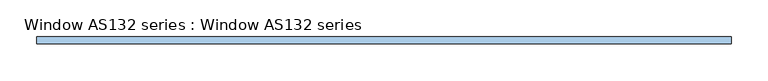
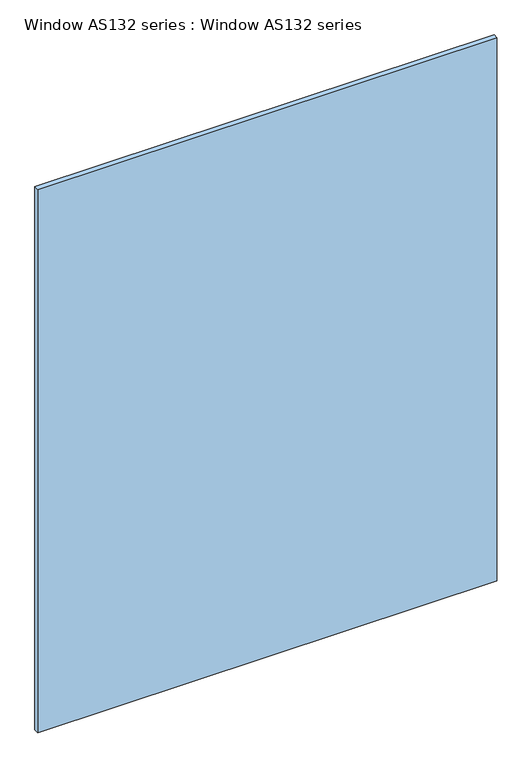
"""IFC4 building model written with IfcOpenShell, lengths in millimetres: window geometry, Window AS132 series : Window AS132 series."""

from ifc_helpers import new_model, si_unit, frame, origin, place, context, project, spatial, polyline, outline, extrude, source, transform, mapped, element, save


def window_as132_series_window_as132_series_22cb9dba(model_context):
    return source(origin(), model_context, "Body", "SweptSolid", [
        extrude(outline(polyline([(474.9040671, 5.0), (474.9040671, -5.0), (-474.9040671, -5.0), (-474.9040671, 5.0), (474.9040671, 5.0)])), frame((0.0, 0.0, 904.868611), z_axis=(0.0, 0.0, 1.0), x_axis=(1.0, 0.0, 0.0)), (0.0, 0.0, 1.0), 1188.1281736),
    ])


if __name__ == "__main__":
    model = new_model("IFC4")
    model_context = context("Model", 3, world=origin())
    ifc_project = project(units=[si_unit("LENGTHUNIT", "METRE", prefix="MILLI")], contexts=[model_context])
    site = spatial("IfcSite", under=ifc_project)
    building = spatial("IfcBuilding", under=site)
    placement = place(None, origin())
    window_as132_series_window_as132_series_shape = window_as132_series_window_as132_series_22cb9dba(model_context)
    element("IfcWindow", 1, ObjectType="Window AS132 series : Window AS132 series", at=placement, inside=building, context=model_context, shape_type="MappedRepresentation", body=[
        mapped(window_as132_series_window_as132_series_shape, transform((0.0, 0.0, 0.0), x_axis=(1.0, 0.0, 0.0), y_axis=(0.0, 1.0, 0.0), z_axis=(0.0, 0.0, 1.0))),
    ])
    save(model, "model.ifc")
